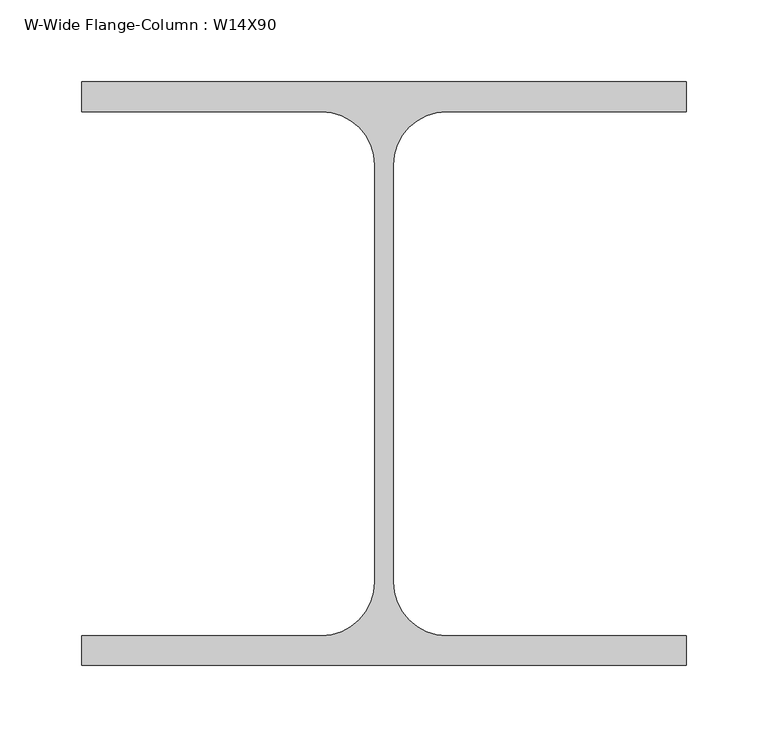
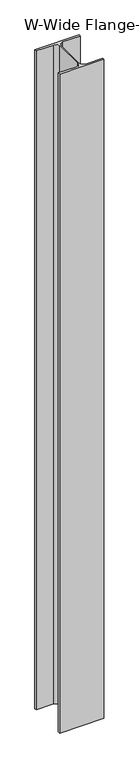
"""IFC4 building model written with IfcOpenShell, lengths in millimetres: column geometry, W-Wide Flange-Column : W14X90."""

from ifc_helpers import new_model, si_unit, point, frame, frame_2d, origin, place, context, project, spatial, polyline, circle_curve, trimmed, segment, composite_curve, outline, extrude, source, transform, mapped, element, save


def w_wide_flange_column_w14x90_02ac4735(model_context):
    return source(origin(), model_context, "Body", "SweptSolid", [
        extrude(outline(composite_curve([segment(polyline([(184.15, 177.8), (184.15, 159.766), (38.354, 159.766)]), True, "CONTINUOUS"), segment(trimmed(circle_curve(frame_2d((38.354, 127.0)), 32.766), [point((38.354, 159.766))], [point((5.588, 127.0))], True, "CARTESIAN"), True, "CONTINUOUS"), segment(polyline([(5.588, 127.0), (5.588, -127.0)]), True, "CONTINUOUS"), segment(trimmed(circle_curve(frame_2d((38.354, -127.0)), 32.766), [point((5.588, -127.0))], [point((38.354, -159.766))], True, "CARTESIAN"), True, "CONTINUOUS"), segment(polyline([(38.354, -159.766), (184.15, -159.766), (184.15, -177.8), (-184.15, -177.8), (-184.15, -159.766), (-38.354, -159.766)]), True, "CONTINUOUS"), segment(trimmed(circle_curve(frame_2d((-38.354, -127.0)), 32.766), [point((-38.354, -159.766))], [point((-5.588, -127.0))], True, "CARTESIAN"), True, "CONTINUOUS"), segment(polyline([(-5.588, -127.0), (-5.588, 127.0)]), True, "CONTINUOUS"), segment(trimmed(circle_curve(frame_2d((-38.354, 127.0)), 32.766), [point((-5.588, 127.0))], [point((-38.354, 159.766))], True, "CARTESIAN"), True, "CONTINUOUS"), segment(polyline([(-38.354, 159.766), (-184.15, 159.766), (-184.15, 177.8), (184.15, 177.8)]), True, "CONTINUOUS")], self_intersect=False)), frame((0.0, 0.0, -2743.2), z_axis=(0.0, 0.0, 1.0), x_axis=(1.0, 0.0, 0.0)), (0.0, 0.0, 1.0), 5791.2),
    ])


if __name__ == "__main__":
    model = new_model("IFC4")
    model_context = context("Model", 3, world=origin())
    ifc_project = project(units=[si_unit("LENGTHUNIT", "METRE", prefix="MILLI")], contexts=[model_context])
    site = spatial("IfcSite", under=ifc_project)
    building = spatial("IfcBuilding", under=site)
    placement = place(None, origin())
    w_wide_flange_column_w14x90_shape = w_wide_flange_column_w14x90_02ac4735(model_context)
    element("IfcColumn", 1, ObjectType="W-Wide Flange-Column : W14X90", at=placement, inside=building, context=model_context, shape_type="MappedRepresentation", body=[
        mapped(w_wide_flange_column_w14x90_shape, transform((0.0, 0.0, 0.0), x_axis=(1.0, 0.0, 0.0), y_axis=(0.0, 1.0, 0.0), z_axis=(0.0, 0.0, 1.0))),
    ])
    save(model, "model.ifc")
